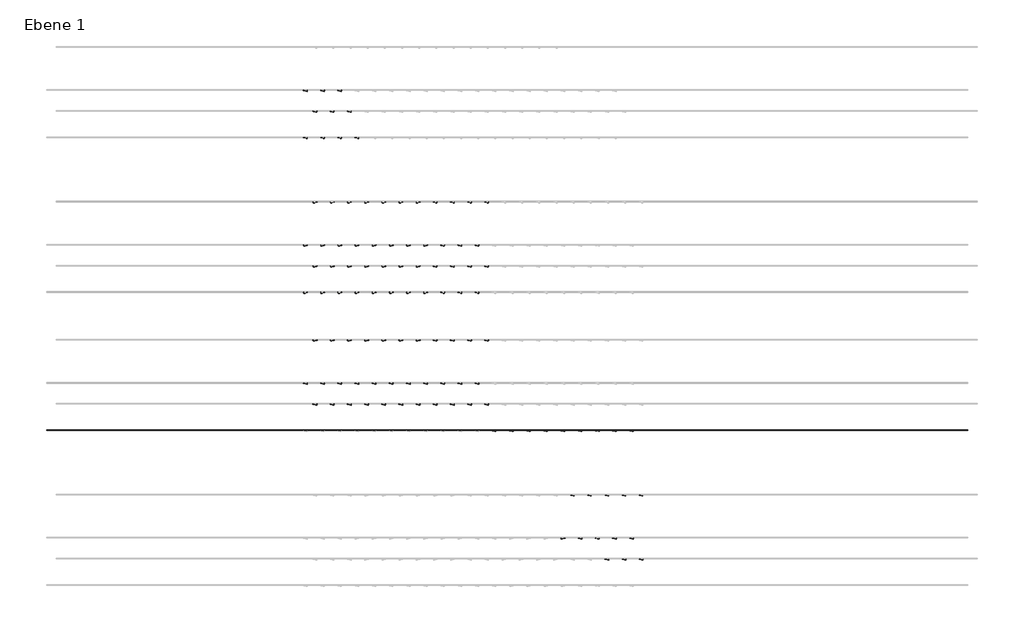
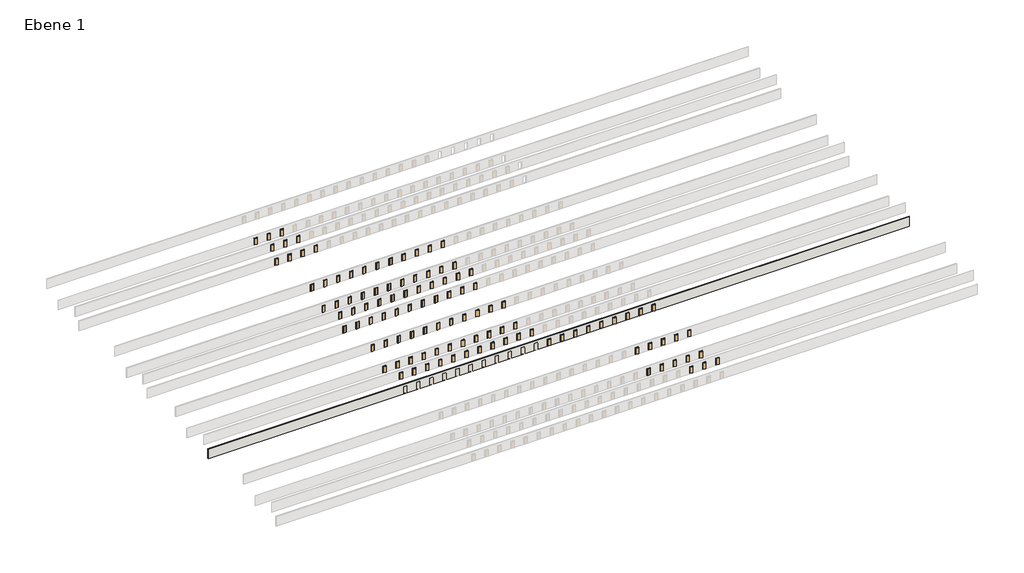
# One storey, part 2 of 7: 109 doors, 1 wall.
"""IFC4 building model written with IfcOpenShell, lengths in millimetres."""

import ifcopenshell
import ifcopenshell.guid

model = None  # the IFC model being written
_history = None  # IfcOwnerHistory: only IFC2X3 demands one
_inside = {}  # id of a spatial element -> (the spatial element, [elements in it])
_under = {}  # id of a project, library or spatial element -> (it, [spatial elements below it])
_declared = {}  # id of a project -> (the project, [libraries it declares])
_typed = {}  # id of a type object -> (the type object, [elements of that type])
_made_of = {}  # id of a material, layer set ... -> (it, [elements and type objects made of it])


def new_model(schema):
    """Start an empty IFC model of exactly this schema.

    Asked for "IFC4X3", IfcOpenShell would pick the latest addendum, in which some entities
    have other attributes; the version numbers below select the first issue.
    IFC2X3 requires an IfcOwnerHistory on every rooted entity: one is made here for all.
    """
    global model, _history
    if schema == "IFC4X3":
        model = ifcopenshell.file(schema_version=(4, 3, 0, 0))
    else:
        model = ifcopenshell.file(schema=schema)
    _inside.clear()
    _under.clear()
    _declared.clear()
    _typed.clear()
    _made_of.clear()
    _history = None
    if model.schema == "IFC2X3":
        org = make("IfcOrganization", Name="unknown")
        user = make(
            "IfcPersonAndOrganization",
            ThePerson=make("IfcPerson", FamilyName="unknown"),
            TheOrganization=org,
        )
        app = make(
            "IfcApplication",
            ApplicationDeveloper=org,
            Version="unknown",
            ApplicationFullName="unknown",
            ApplicationIdentifier="unknown",
        )
        _history = make(
            "IfcOwnerHistory",
            OwningUser=user,
            OwningApplication=app,
            ChangeAction="ADDED",
            CreationDate=0,
        )
    return model


def make(cls, **values):
    """One entity of the class cls with the attributes given. An attribute that is None is left unset."""
    return model.create_entity(
        cls, **{name: value for name, value in values.items() if value is not None}
    )


def rooted(cls, **values):
    """An entity with a GlobalId (a new one), such as an element, a storey or a relation."""
    return make(cls, GlobalId=ifcopenshell.guid.new(), OwnerHistory=_history, **values)


def si_unit(unit_type, name, prefix=None):
    """IfcSIUnit, for example si_unit("LENGTHUNIT", "METRE", prefix="MILLI")."""
    return make("IfcSIUnit", UnitType=unit_type, Prefix=prefix, Name=name)


def assignment(units):
    """IfcUnitAssignment: the units of a project."""
    return None if units is None else make("IfcUnitAssignment", Units=units)


def point(xyz):
    """IfcCartesianPoint."""
    return None if xyz is None else make("IfcCartesianPoint", Coordinates=xyz)


def direction(xyz):
    """IfcDirection."""
    return None if xyz is None else make("IfcDirection", DirectionRatios=xyz)


def frame(location, z_axis=None, x_axis=None):
    """IfcAxis2Placement3D, a coordinate frame: its origin and axes. An axis left out is left unset."""
    return make(
        "IfcAxis2Placement3D",
        Location=point(location),
        Axis=direction(z_axis),
        RefDirection=direction(x_axis),
    )


def origin():
    """The frame at (0, 0, 0) with its axes left unset."""
    return frame((0.0, 0.0, 0.0))


def origin_with_axes():
    """The frame at (0, 0, 0) with the z axis (0, 0, 1) and the x axis (1, 0, 0) written out."""
    return frame((0.0, 0.0, 0.0), z_axis=(0.0, 0.0, 1.0), x_axis=(1.0, 0.0, 0.0))


def place(relative_to, where):
    """IfcLocalPlacement: puts the frame where relative to a parent placement (None: the world)."""
    return make(
        "IfcLocalPlacement", PlacementRelTo=relative_to, RelativePlacement=where
    )


def context(
    kind, dimensions, precision=None, world=None, true_north=None, identifier=None
):
    """IfcGeometricRepresentationContext, for example the 3D "Model" context."""
    return make(
        "IfcGeometricRepresentationContext",
        ContextIdentifier=identifier,
        ContextType=kind,
        CoordinateSpaceDimension=dimensions,
        Precision=precision,
        WorldCoordinateSystem=world,
        TrueNorth=true_north,
    )


def project(units=None, contexts=None):
    """IfcProject with its units and contexts."""
    return rooted(
        "IfcProject",
        Name="project",
        RepresentationContexts=contexts,
        UnitsInContext=assignment(units),
    )


def spatial(cls, under=None, at=None, **own):
    """A site, building, storey or space (cls), placed at a placement, below another one or the project."""
    s = rooted(cls, ObjectPlacement=at, **own)
    if under is not None:
        _under.setdefault(under.id(), (under, []))[1].append(s)
    return s


def polyline(points):
    """IfcPolyline through the points."""
    return make("IfcPolyline", Points=[point(p) for p in points])


def outline(outer, holes=None, kind="AREA"):
    """IfcArbitraryClosedProfileDef: a profile drawn as a closed curve; with holes, ...WithVoids."""
    if holes is None:
        return make("IfcArbitraryClosedProfileDef", ProfileType=kind, OuterCurve=outer)
    return make(
        "IfcArbitraryProfileDefWithVoids",
        ProfileType=kind,
        OuterCurve=outer,
        InnerCurves=holes,
    )


def extrude(swept, where, along, depth):
    """IfcExtrudedAreaSolid: the profile swept, set in the frame where, extruded along a direction by depth."""
    return make(
        "IfcExtrudedAreaSolid",
        SweptArea=swept,
        Position=where,
        ExtrudedDirection=direction(along),
        Depth=depth,
    )


def faces_of(points, faces, orient=None, outer=None):
    """IfcFace entities. A face is a list of loops; a loop is a list of indices into points, from 0.

    orient and outer hold one flag for each loop. By default every Orientation is true, the
    first loop of a face is its IfcFaceOuterBound and the others are IfcFaceBound.
    """
    made = []
    for i, loops in enumerate(faces):
        bounds = []
        for j, loop in enumerate(loops):
            is_outer = j == 0 if outer is None else outer[i][j]
            bounds.append(
                make(
                    "IfcFaceOuterBound" if is_outer else "IfcFaceBound",
                    Bound=make("IfcPolyLoop", Polygon=[points[k] for k in loop]),
                    Orientation=True if orient is None else orient[i][j],
                )
            )
        made.append(make("IfcFace", Bounds=bounds))
    return made


def faceted_brep(points, faces, orient=None, outer=None, voids=None):
    """IfcFacetedBrep: a solid bounded by flat faces; with voids (closed shells), ...WithVoids."""
    shared = [point(p) for p in points]
    hull = make("IfcClosedShell", CfsFaces=faces_of(shared, faces, orient, outer))
    if voids is None:
        return make("IfcFacetedBrep", Outer=hull)
    return make(
        "IfcFacetedBrepWithVoids",
        Outer=hull,
        Voids=[
            make(cls, CfsFaces=faces_of(shared, fs, o, b)) for cls, fs, o, b in voids
        ],
    )


def shape(context_of_items, identifier, shape_type, items):
    """IfcShapeRepresentation: the items that make up one representation, for example the "Body"."""
    return make(
        "IfcShapeRepresentation",
        ContextOfItems=context_of_items,
        RepresentationIdentifier=identifier,
        RepresentationType=shape_type,
        Items=items,
    )


def source(mapping_origin, context_of_items, identifier, shape_type, items):
    """IfcRepresentationMap: a shape defined once, which mapped items show again and again."""
    return make(
        "IfcRepresentationMap",
        MappingOrigin=mapping_origin,
        MappedRepresentation=shape(context_of_items, identifier, shape_type, items),
    )


def transform(
    local_origin,
    x_axis=None,
    y_axis=None,
    z_axis=None,
    scale=None,
    scale2=None,
    scale3=None,
    uniform=True,
):
    """IfcCartesianTransformationOperator3D, or its non-uniform kind. x_axis, y_axis, z_axis: its Axis1, 2, 3."""
    if uniform:
        return make(
            "IfcCartesianTransformationOperator3D",
            Axis1=direction(x_axis),
            Axis2=direction(y_axis),
            LocalOrigin=point(local_origin),
            Scale=scale,
            Axis3=direction(z_axis),
        )
    return make(
        "IfcCartesianTransformationOperator3DnonUniform",
        Axis1=direction(x_axis),
        Axis2=direction(y_axis),
        LocalOrigin=point(local_origin),
        Scale=scale,
        Axis3=direction(z_axis),
        Scale2=scale2,
        Scale3=scale3,
    )


def mapped(mapping_source, mapping_target):
    """IfcMappedItem: shows the shape of a source again, moved by a transform."""
    return make(
        "IfcMappedItem", MappingSource=mapping_source, MappingTarget=mapping_target
    )


def made_of(thing, what):
    """Note that an element or type object is made of a material, layer set ...; save() writes the relation."""
    if what is not None:
        _made_of.setdefault(what.id(), (what, []))[1].append(thing)
    return thing


def element(
    cls,
    number,
    at=None,
    inside=None,
    cuts=None,
    type_object=None,
    material=None,
    context=None,
    identifier="Body",
    shape_type=None,
    held_by="IfcProductDefinitionShape",
    body=None,
    shapes=None,
    **own,
):
    """One element of the class cls, such as IfcWall. Its Tag is "e" and its number.

    at: its placement. inside: the storey or other place that contains it. cuts: it is an
    opening in that element (IfcRelVoidsElement). A single representation is given by context,
    identifier, shape_type and body (its items); several are given by shapes. held_by: the class
    of the entity that holds the representations. save() writes the other relations.
    """
    e = rooted(cls, Tag="e%d" % number, ObjectPlacement=at, **own)
    if body is not None:
        shapes = [shape(context, identifier, shape_type, body)]
    if shapes is not None:
        e.Representation = make(held_by, Representations=shapes)
    if inside is not None:
        _inside.setdefault(inside.id(), (inside, []))[1].append(e)
    if cuts is not None:
        rooted(
            "IfcRelVoidsElement", RelatingBuildingElement=cuts, RelatedOpeningElement=e
        )
    if type_object is not None:
        _typed.setdefault(type_object.id(), (type_object, []))[1].append(e)
    return made_of(e, material)


def aggregate(whole, parts):
    """IfcRelAggregates: a whole, such as a stair, and the parts it consists of."""
    return rooted("IfcRelAggregates", RelatingObject=whole, RelatedObjects=parts)


def save(model, path):
    """Write the relations noted so far, then the file.

    IfcRelAggregates (storeys below a building ...), IfcRelContainedInSpatialStructure (elements
    in a storey), IfcRelDefinesByType, IfcRelAssociatesMaterial and IfcRelDeclares: one each for
    every whole, place, type object, material and project.
    """
    for whole, parts in _under.values():
        aggregate(whole, parts)
    for where, things in _inside.values():
        rooted(
            "IfcRelContainedInSpatialStructure",
            RelatedElements=things,
            RelatingStructure=where,
        )
    for kind, things in _typed.values():
        rooted("IfcRelDefinesByType", RelatedObjects=things, RelatingType=kind)
    for what, things in _made_of.values():
        rooted("IfcRelAssociatesMaterial", RelatedObjects=things, RelatingMaterial=what)
    for by, libraries in _declared.values():
        rooted("IfcRelDeclares", RelatingContext=by, RelatedDefinitions=libraries)
    model.write(path)


def ez_0_885_x_2_135_c3bccecb(model_context):
    return source(origin(), model_context, "Body", "SolidModel", [
        extrude(outline(polyline([(431.9693295, 138.5256744), (422.2924536, 99.7138453), (-412.161871, 307.7666755), (-402.4849951, 346.5785046), (431.9693295, 138.5256744)])), origin_with_axes(), (0.0, 0.0, 1.0), 2122.0),
        faceted_brep([(-492.5, 112.5, 0.0), (-417.5, 112.5, 0.0), (-417.5, 37.5, 0.0), (-442.5, 37.5, 0.0), (-442.5, 87.5, 0.0), (-492.5, 87.5, 0.0), (-492.5, 112.5, 2185.0), (492.5, 112.5, 2185.0), (492.5, 112.5, 0.0), (417.5, 112.5, 0.0), (417.5, 112.5, 2110.0), (-417.5, 112.5, 2110.0), (-417.5, 37.5, 2110.0), (417.5, 37.5, 2110.0), (417.5, 37.5, 0.0), (442.5, 37.5, 0.0), (442.5, 37.5, 2135.0), (-442.5, 37.5, 2135.0), (-442.5, 87.5, 2135.0), (442.5, 87.5, 2135.0), (442.5, 87.5, 0.0), (492.5, 87.5, 0.0), (492.5, 87.5, 2185.0), (-492.5, 87.5, 2185.0)], [[[0, 1, 2, 3, 4, 5]], [[1, 0, 6, 7, 8, 9, 10, 11]], [[2, 1, 11, 12]], [[3, 2, 12, 13, 14, 15, 16, 17]], [[4, 3, 17, 18]], [[5, 4, 18, 19, 20, 21, 22, 23]], [[0, 5, 23, 6]], [[8, 21, 20, 15, 14, 9]], [[7, 22, 21, 8]], [[19, 16, 15, 20]], [[13, 10, 9, 14]], [[12, 11, 10, 13]], [[18, 17, 16, 19]], [[6, 23, 22, 7]]]),
    ])


def ez_0_885_x_2_135_573fc02f(model_context):
    return source(origin(), model_context, "Body", "SolidModel", [
        extrude(outline(polyline([(431.9693295, -138.5256744), (-402.4849951, -346.5785046), (-412.161871, -307.7666755), (422.2924536, -99.7138453), (431.9693295, -138.5256744)])), origin_with_axes(), (0.0, 0.0, 1.0), 2122.0),
        faceted_brep([(-492.5, -112.5, 0.0), (-492.5, -87.5, 0.0), (-442.5, -87.5, 0.0), (-442.5, -37.5, 0.0), (-417.5, -37.5, 0.0), (-417.5, -112.5, 0.0), (-417.5, -112.5, 2110.0), (417.5, -112.5, 2110.0), (417.5, -112.5, 0.0), (492.5, -112.5, 0.0), (492.5, -112.5, 2185.0), (-492.5, -112.5, 2185.0), (-417.5, -37.5, 2110.0), (-442.5, -37.5, 2135.0), (442.5, -37.5, 2135.0), (442.5, -37.5, 0.0), (417.5, -37.5, 0.0), (417.5, -37.5, 2110.0), (-442.5, -87.5, 2135.0), (-492.5, -87.5, 2185.0), (492.5, -87.5, 2185.0), (492.5, -87.5, 0.0), (442.5, -87.5, 0.0), (442.5, -87.5, 2135.0)], [[[0, 1, 2, 3, 4, 5]], [[5, 6, 7, 8, 9, 10, 11, 0]], [[4, 12, 6, 5]], [[3, 13, 14, 15, 16, 17, 12, 4]], [[2, 18, 13, 3]], [[1, 19, 20, 21, 22, 23, 18, 2]], [[0, 11, 19, 1]], [[9, 8, 16, 15, 22, 21]], [[10, 9, 21, 20]], [[23, 22, 15, 14]], [[17, 16, 8, 7]], [[12, 17, 7, 6]], [[18, 23, 14, 13]], [[11, 10, 20, 19]]]),
    ])


model = new_model("IFC4")

# Units and contexts
model_context = context("Model", 3, world=origin())
ifc_project = project(units=[si_unit("LENGTHUNIT", "METRE", prefix="MILLI")], contexts=[model_context])

# Site, building, storey
site = spatial("IfcSite", under=ifc_project)
building = spatial("IfcBuilding", under=site)
storey = spatial("IfcBuildingStorey", under=building, Name="Ebene 1", Elevation=0.0)

# Doors
placement = place(None, origin())
ez_0_885_x_2_135_shape = ez_0_885_x_2_135_c3bccecb(model_context)
element("IfcDoor", 1, ObjectType="EZ_0,885 x 2,135", at=placement, inside=storey, context=model_context, shape_type="MappedRepresentation", body=[
    mapped(ez_0_885_x_2_135_shape, transform((560.8133865, -973.5618012, 0.0), x_axis=(-1.0, 0.0, 0.0), y_axis=(0.0, -1.0, 0.0), z_axis=(0.0, 0.0, 1.0))),
])
element("IfcDoor", 2, ObjectType="EZ_0,885 x 2,135", at=placement, inside=storey, context=model_context, shape_type="MappedRepresentation", body=[
    mapped(ez_0_885_x_2_135_shape, transform((4660.8133865, -973.5618012, 0.0), x_axis=(-1.0, 0.0, 0.0), y_axis=(0.0, -1.0, 0.0), z_axis=(0.0, 0.0, 1.0))),
])
element("IfcDoor", 3, ObjectType="EZ_0,885 x 2,135", at=placement, inside=storey, context=model_context, shape_type="MappedRepresentation", body=[
    mapped(ez_0_885_x_2_135_shape, transform((8760.8133865, -973.5618012, 0.0), x_axis=(-1.0, 0.0, 0.0), y_axis=(0.0, -1.0, 0.0), z_axis=(0.0, 0.0, 1.0))),
])
element("IfcDoor", 4, ObjectType="EZ_0,885 x 2,135", at=placement, inside=storey, context=model_context, shape_type="MappedRepresentation", body=[
    mapped(ez_0_885_x_2_135_shape, transform((12860.8133865, -973.5618012, 0.0), x_axis=(-1.0, 0.0, 0.0), y_axis=(0.0, -1.0, 0.0), z_axis=(0.0, 0.0, 1.0))),
])
element("IfcDoor", 5, ObjectType="EZ_0,885 x 2,135", at=placement, inside=storey, context=model_context, shape_type="MappedRepresentation", body=[
    mapped(ez_0_885_x_2_135_shape, transform((16960.8133865, -973.5618012, 0.0), x_axis=(-1.0, 0.0, 0.0), y_axis=(0.0, -1.0, 0.0), z_axis=(0.0, 0.0, 1.0))),
])
element("IfcDoor", 6, ObjectType="EZ_0,885 x 2,135", at=placement, inside=storey, context=model_context, shape_type="MappedRepresentation", body=[
    mapped(ez_0_885_x_2_135_shape, transform((21060.8133865, -973.5618012, 0.0), x_axis=(-1.0, 0.0, 0.0), y_axis=(0.0, -1.0, 0.0), z_axis=(0.0, 0.0, 1.0))),
])
element("IfcDoor", 7, ObjectType="EZ_0,885 x 2,135", at=placement, inside=storey, context=model_context, shape_type="MappedRepresentation", body=[
    mapped(ez_0_885_x_2_135_shape, transform((25160.8133865, -973.5618012, 0.0), x_axis=(-1.0, 0.0, 0.0), y_axis=(0.0, -1.0, 0.0), z_axis=(0.0, 0.0, 1.0))),
])
element("IfcDoor", 8, ObjectType="EZ_0,885 x 2,135", at=placement, inside=storey, context=model_context, shape_type="MappedRepresentation", body=[
    mapped(ez_0_885_x_2_135_shape, transform((29260.8133865, -973.5618012, 0.0), x_axis=(-1.0, 0.0, 0.0), y_axis=(0.0, -1.0, 0.0), z_axis=(0.0, 0.0, 1.0))),
])
element("IfcDoor", 9, ObjectType="EZ_0,885 x 2,135", at=placement, inside=storey, context=model_context, shape_type="MappedRepresentation", body=[
    mapped(ez_0_885_x_2_135_shape, transform((33360.8133865, -973.5618012, 0.0), x_axis=(-1.0, 0.0, 0.0), y_axis=(0.0, -1.0, 0.0), z_axis=(0.0, 0.0, 1.0))),
])
element("IfcDoor", 10, ObjectType="EZ_0,885 x 2,135", at=placement, inside=storey, context=model_context, shape_type="MappedRepresentation", body=[
    mapped(ez_0_885_x_2_135_shape, transform((-42234.3866135, 5331.2381988, 0.0), x_axis=(-1.0, 0.0, 0.0), y_axis=(0.0, -1.0, 0.0), z_axis=(0.0, 0.0, 1.0))),
])
element("IfcDoor", 11, ObjectType="EZ_0,885 x 2,135", at=placement, inside=storey, context=model_context, shape_type="MappedRepresentation", body=[
    mapped(ez_0_885_x_2_135_shape, transform((-38134.3866135, 5331.2381988, 0.0), x_axis=(-1.0, 0.0, 0.0), y_axis=(0.0, -1.0, 0.0), z_axis=(0.0, 0.0, 1.0))),
])
element("IfcDoor", 12, ObjectType="EZ_0,885 x 2,135", at=placement, inside=storey, context=model_context, shape_type="MappedRepresentation", body=[
    mapped(ez_0_885_x_2_135_shape, transform((-34034.3866135, 5331.2381988, 0.0), x_axis=(-1.0, 0.0, 0.0), y_axis=(0.0, -1.0, 0.0), z_axis=(0.0, 0.0, 1.0))),
])
element("IfcDoor", 13, ObjectType="EZ_0,885 x 2,135", at=placement, inside=storey, context=model_context, shape_type="MappedRepresentation", body=[
    mapped(ez_0_885_x_2_135_shape, transform((-29934.3866135, 5331.2381988, 0.0), x_axis=(-1.0, 0.0, 0.0), y_axis=(0.0, -1.0, 0.0), z_axis=(0.0, 0.0, 1.0))),
])
element("IfcDoor", 14, ObjectType="EZ_0,885 x 2,135", at=placement, inside=storey, context=model_context, shape_type="MappedRepresentation", body=[
    mapped(ez_0_885_x_2_135_shape, transform((-25834.3866135, 5331.2381988, 0.0), x_axis=(-1.0, 0.0, 0.0), y_axis=(0.0, -1.0, 0.0), z_axis=(0.0, 0.0, 1.0))),
])
element("IfcDoor", 15, ObjectType="EZ_0,885 x 2,135", at=placement, inside=storey, context=model_context, shape_type="MappedRepresentation", body=[
    mapped(ez_0_885_x_2_135_shape, transform((-21734.3866135, 5331.2381988, 0.0), x_axis=(-1.0, 0.0, 0.0), y_axis=(0.0, -1.0, 0.0), z_axis=(0.0, 0.0, 1.0))),
])
element("IfcDoor", 16, ObjectType="EZ_0,885 x 2,135", at=placement, inside=storey, context=model_context, shape_type="MappedRepresentation", body=[
    mapped(ez_0_885_x_2_135_shape, transform((-17634.3866135, 5331.2381988, 0.0), x_axis=(-1.0, 0.0, 0.0), y_axis=(0.0, -1.0, 0.0), z_axis=(0.0, 0.0, 1.0))),
])
element("IfcDoor", 17, ObjectType="EZ_0,885 x 2,135", at=placement, inside=storey, context=model_context, shape_type="MappedRepresentation", body=[
    mapped(ez_0_885_x_2_135_shape, transform((-13534.3866135, 5331.2381988, 0.0), x_axis=(-1.0, 0.0, 0.0), y_axis=(0.0, -1.0, 0.0), z_axis=(0.0, 0.0, 1.0))),
])
element("IfcDoor", 18, ObjectType="EZ_0,885 x 2,135", at=placement, inside=storey, context=model_context, shape_type="MappedRepresentation", body=[
    mapped(ez_0_885_x_2_135_shape, transform((-9434.3866135, 5331.2381988, 0.0), x_axis=(-1.0, 0.0, 0.0), y_axis=(0.0, -1.0, 0.0), z_axis=(0.0, 0.0, 1.0))),
])
element("IfcDoor", 19, ObjectType="EZ_0,885 x 2,135", at=placement, inside=storey, context=model_context, shape_type="MappedRepresentation", body=[
    mapped(ez_0_885_x_2_135_shape, transform((-5334.3866135, 5331.2381988, 0.0), x_axis=(-1.0, 0.0, 0.0), y_axis=(0.0, -1.0, 0.0), z_axis=(0.0, 0.0, 1.0))),
])
element("IfcDoor", 20, ObjectType="EZ_0,885 x 2,135", at=placement, inside=storey, context=model_context, shape_type="MappedRepresentation", body=[
    mapped(ez_0_885_x_2_135_shape, transform((-1234.3866135, 5331.2381988, 0.0), x_axis=(-1.0, 0.0, 0.0), y_axis=(0.0, -1.0, 0.0), z_axis=(0.0, 0.0, 1.0))),
])
element("IfcDoor", 21, ObjectType="EZ_0,885 x 2,135", at=placement, inside=storey, context=model_context, shape_type="MappedRepresentation", body=[
    mapped(ez_0_885_x_2_135_shape, transform((-44539.1866135, 10331.2381988, 0.0), x_axis=(-1.0, 0.0, 0.0), y_axis=(0.0, -1.0, 0.0), z_axis=(0.0, 0.0, 1.0))),
])
element("IfcDoor", 22, ObjectType="EZ_0,885 x 2,135", at=placement, inside=storey, context=model_context, shape_type="MappedRepresentation", body=[
    mapped(ez_0_885_x_2_135_shape, transform((-40439.1866135, 10331.2381988, 0.0), x_axis=(-1.0, 0.0, 0.0), y_axis=(0.0, -1.0, 0.0), z_axis=(0.0, 0.0, 1.0))),
])
element("IfcDoor", 23, ObjectType="EZ_0,885 x 2,135", at=placement, inside=storey, context=model_context, shape_type="MappedRepresentation", body=[
    mapped(ez_0_885_x_2_135_shape, transform((-36339.1866135, 10331.2381988, 0.0), x_axis=(-1.0, 0.0, 0.0), y_axis=(0.0, -1.0, 0.0), z_axis=(0.0, 0.0, 1.0))),
])
element("IfcDoor", 24, ObjectType="EZ_0,885 x 2,135", at=placement, inside=storey, context=model_context, shape_type="MappedRepresentation", body=[
    mapped(ez_0_885_x_2_135_shape, transform((-32239.1866135, 10331.2381988, 0.0), x_axis=(-1.0, 0.0, 0.0), y_axis=(0.0, -1.0, 0.0), z_axis=(0.0, 0.0, 1.0))),
])
element("IfcDoor", 25, ObjectType="EZ_0,885 x 2,135", at=placement, inside=storey, context=model_context, shape_type="MappedRepresentation", body=[
    mapped(ez_0_885_x_2_135_shape, transform((-28139.1866135, 10331.2381988, 0.0), x_axis=(-1.0, 0.0, 0.0), y_axis=(0.0, -1.0, 0.0), z_axis=(0.0, 0.0, 1.0))),
])
element("IfcDoor", 26, ObjectType="EZ_0,885 x 2,135", at=placement, inside=storey, context=model_context, shape_type="MappedRepresentation", body=[
    mapped(ez_0_885_x_2_135_shape, transform((-24039.1866135, 10331.2381988, 0.0), x_axis=(-1.0, 0.0, 0.0), y_axis=(0.0, -1.0, 0.0), z_axis=(0.0, 0.0, 1.0))),
])
element("IfcDoor", 27, ObjectType="EZ_0,885 x 2,135", at=placement, inside=storey, context=model_context, shape_type="MappedRepresentation", body=[
    mapped(ez_0_885_x_2_135_shape, transform((-19939.1866135, 10331.2381988, 0.0), x_axis=(-1.0, 0.0, 0.0), y_axis=(0.0, -1.0, 0.0), z_axis=(0.0, 0.0, 1.0))),
])
element("IfcDoor", 28, ObjectType="EZ_0,885 x 2,135", at=placement, inside=storey, context=model_context, shape_type="MappedRepresentation", body=[
    mapped(ez_0_885_x_2_135_shape, transform((-15839.1866135, 10331.2381988, 0.0), x_axis=(-1.0, 0.0, 0.0), y_axis=(0.0, -1.0, 0.0), z_axis=(0.0, 0.0, 1.0))),
])
element("IfcDoor", 29, ObjectType="EZ_0,885 x 2,135", at=placement, inside=storey, context=model_context, shape_type="MappedRepresentation", body=[
    mapped(ez_0_885_x_2_135_shape, transform((-11739.1866135, 10331.2381988, 0.0), x_axis=(-1.0, 0.0, 0.0), y_axis=(0.0, -1.0, 0.0), z_axis=(0.0, 0.0, 1.0))),
])
element("IfcDoor", 30, ObjectType="EZ_0,885 x 2,135", at=placement, inside=storey, context=model_context, shape_type="MappedRepresentation", body=[
    mapped(ez_0_885_x_2_135_shape, transform((-7639.1866135, 10331.2381988, 0.0), x_axis=(-1.0, 0.0, 0.0), y_axis=(0.0, -1.0, 0.0), z_axis=(0.0, 0.0, 1.0))),
])
element("IfcDoor", 31, ObjectType="EZ_0,885 x 2,135", at=placement, inside=storey, context=model_context, shape_type="MappedRepresentation", body=[
    mapped(ez_0_885_x_2_135_shape, transform((-3539.1866135, 10331.2381988, 0.0), x_axis=(-1.0, 0.0, 0.0), y_axis=(0.0, -1.0, 0.0), z_axis=(0.0, 0.0, 1.0))),
])
element("IfcDoor", 32, ObjectType="EZ_0,885 x 2,135", at=placement, inside=storey, context=model_context, shape_type="MappedRepresentation", body=[
    mapped(ez_0_885_x_2_135_shape, transform((-13534.3866135, 20636.0381988, 0.0), x_axis=(-1.0, 0.0, 0.0), y_axis=(0.0, -1.0, 0.0), z_axis=(0.0, 0.0, 1.0))),
])
element("IfcDoor", 33, ObjectType="EZ_0,885 x 2,135", at=placement, inside=storey, context=model_context, shape_type="MappedRepresentation", body=[
    mapped(ez_0_885_x_2_135_shape, transform((-9434.3866135, 20636.0381988, 0.0), x_axis=(-1.0, 0.0, 0.0), y_axis=(0.0, -1.0, 0.0), z_axis=(0.0, 0.0, 1.0))),
])
element("IfcDoor", 34, ObjectType="EZ_0,885 x 2,135", at=placement, inside=storey, context=model_context, shape_type="MappedRepresentation", body=[
    mapped(ez_0_885_x_2_135_shape, transform((-5334.3866135, 20636.0381988, 0.0), x_axis=(-1.0, 0.0, 0.0), y_axis=(0.0, -1.0, 0.0), z_axis=(0.0, 0.0, 1.0))),
])
element("IfcDoor", 35, ObjectType="EZ_0,885 x 2,135", at=placement, inside=storey, context=model_context, shape_type="MappedRepresentation", body=[
    mapped(ez_0_885_x_2_135_shape, transform((-1234.3866135, 20636.0381988, 0.0), x_axis=(-1.0, 0.0, 0.0), y_axis=(0.0, -1.0, 0.0), z_axis=(0.0, 0.0, 1.0))),
])
element("IfcDoor", 36, ObjectType="EZ_0,885 x 2,135", at=placement, inside=storey, context=model_context, shape_type="MappedRepresentation", body=[
    mapped(ez_0_885_x_2_135_shape, transform((27465.6133865, -31668.7618012, 0.0), x_axis=(-1.0, 0.0, 0.0), y_axis=(0.0, -1.0, 0.0), z_axis=(0.0, 0.0, 1.0))),
])
element("IfcDoor", 37, ObjectType="EZ_0,885 x 2,135", at=placement, inside=storey, context=model_context, shape_type="MappedRepresentation", body=[
    mapped(ez_0_885_x_2_135_shape, transform((31565.6133865, -31668.7618012, 0.0), x_axis=(-1.0, 0.0, 0.0), y_axis=(0.0, -1.0, 0.0), z_axis=(0.0, 0.0, 1.0))),
])
element("IfcDoor", 38, ObjectType="EZ_0,885 x 2,135", at=placement, inside=storey, context=model_context, shape_type="MappedRepresentation", body=[
    mapped(ez_0_885_x_2_135_shape, transform((35665.6133865, -31668.7618012, 0.0), x_axis=(-1.0, 0.0, 0.0), y_axis=(0.0, -1.0, 0.0), z_axis=(0.0, 0.0, 1.0))),
])
element("IfcDoor", 39, ObjectType="EZ_0,885 x 2,135", at=placement, inside=storey, context=model_context, shape_type="MappedRepresentation", body=[
    mapped(ez_0_885_x_2_135_shape, transform((21060.8133865, -26668.7618012, 0.0), x_axis=(-1.0, 0.0, 0.0), y_axis=(0.0, -1.0, 0.0), z_axis=(0.0, 0.0, 1.0))),
])
element("IfcDoor", 40, ObjectType="EZ_0,885 x 2,135", at=placement, inside=storey, context=model_context, shape_type="MappedRepresentation", body=[
    mapped(ez_0_885_x_2_135_shape, transform((25160.8133865, -26668.7618012, 0.0), x_axis=(-1.0, 0.0, 0.0), y_axis=(0.0, -1.0, 0.0), z_axis=(0.0, 0.0, 1.0))),
])
element("IfcDoor", 41, ObjectType="EZ_0,885 x 2,135", at=placement, inside=storey, context=model_context, shape_type="MappedRepresentation", body=[
    mapped(ez_0_885_x_2_135_shape, transform((29260.8133865, -26668.7618012, 0.0), x_axis=(-1.0, 0.0, 0.0), y_axis=(0.0, -1.0, 0.0), z_axis=(0.0, 0.0, 1.0))),
])
element("IfcDoor", 42, ObjectType="EZ_0,885 x 2,135", at=placement, inside=storey, context=model_context, shape_type="MappedRepresentation", body=[
    mapped(ez_0_885_x_2_135_shape, transform((33360.8133865, -26668.7618012, 0.0), x_axis=(-1.0, 0.0, 0.0), y_axis=(0.0, -1.0, 0.0), z_axis=(0.0, 0.0, 1.0))),
])
element("IfcDoor", 43, ObjectType="EZ_0,885 x 2,135", at=placement, inside=storey, context=model_context, shape_type="MappedRepresentation", body=[
    mapped(ez_0_885_x_2_135_shape, transform((19265.6133865, -16363.9618012, 0.0), x_axis=(-1.0, 0.0, 0.0), y_axis=(0.0, -1.0, 0.0), z_axis=(0.0, 0.0, 1.0))),
])
element("IfcDoor", 44, ObjectType="EZ_0,885 x 2,135", at=placement, inside=storey, context=model_context, shape_type="MappedRepresentation", body=[
    mapped(ez_0_885_x_2_135_shape, transform((23365.6133865, -16363.9618012, 0.0), x_axis=(-1.0, 0.0, 0.0), y_axis=(0.0, -1.0, 0.0), z_axis=(0.0, 0.0, 1.0))),
])
element("IfcDoor", 45, ObjectType="EZ_0,885 x 2,135", at=placement, inside=storey, context=model_context, shape_type="MappedRepresentation", body=[
    mapped(ez_0_885_x_2_135_shape, transform((27465.6133865, -16363.9618012, 0.0), x_axis=(-1.0, 0.0, 0.0), y_axis=(0.0, -1.0, 0.0), z_axis=(0.0, 0.0, 1.0))),
])
element("IfcDoor", 46, ObjectType="EZ_0,885 x 2,135", at=placement, inside=storey, context=model_context, shape_type="MappedRepresentation", body=[
    mapped(ez_0_885_x_2_135_shape, transform((31565.6133865, -16363.9618012, 0.0), x_axis=(-1.0, 0.0, 0.0), y_axis=(0.0, -1.0, 0.0), z_axis=(0.0, 0.0, 1.0))),
])
element("IfcDoor", 47, ObjectType="EZ_0,885 x 2,135", at=placement, inside=storey, context=model_context, shape_type="MappedRepresentation", body=[
    mapped(ez_0_885_x_2_135_shape, transform((35665.6133865, -16363.9618012, 0.0), x_axis=(-1.0, 0.0, 0.0), y_axis=(0.0, -1.0, 0.0), z_axis=(0.0, 0.0, 1.0))),
])
element("IfcDoor", 48, ObjectType="EZ_0,885 x 2,135", at=placement, inside=storey, context=model_context, shape_type="MappedRepresentation", body=[
    mapped(ez_0_885_x_2_135_shape, transform((-44539.1866135, 69026.4381988, 0.0), x_axis=(-1.0, 0.0, 0.0), y_axis=(0.0, -1.0, 0.0), z_axis=(0.0, 0.0, 1.0))),
])
element("IfcDoor", 49, ObjectType="EZ_0,885 x 2,135", at=placement, inside=storey, context=model_context, shape_type="MappedRepresentation", body=[
    mapped(ez_0_885_x_2_135_shape, transform((-40439.1866135, 69026.4381988, 0.0), x_axis=(-1.0, 0.0, 0.0), y_axis=(0.0, -1.0, 0.0), z_axis=(0.0, 0.0, 1.0))),
])
element("IfcDoor", 50, ObjectType="EZ_0,885 x 2,135", at=placement, inside=storey, context=model_context, shape_type="MappedRepresentation", body=[
    mapped(ez_0_885_x_2_135_shape, transform((-36339.1866135, 69026.4381988, 0.0), x_axis=(-1.0, 0.0, 0.0), y_axis=(0.0, -1.0, 0.0), z_axis=(0.0, 0.0, 1.0))),
])
element("IfcDoor", 51, ObjectType="EZ_0,885 x 2,135", at=placement, inside=storey, context=model_context, shape_type="MappedRepresentation", body=[
    mapped(ez_0_885_x_2_135_shape, transform((-32239.1866135, 69026.4381988, 0.0), x_axis=(-1.0, 0.0, 0.0), y_axis=(0.0, -1.0, 0.0), z_axis=(0.0, 0.0, 1.0))),
])
element("IfcDoor", 52, ObjectType="EZ_0,885 x 2,135", at=placement, inside=storey, context=model_context, shape_type="MappedRepresentation", body=[
    mapped(ez_0_885_x_2_135_shape, transform((-42234.3866135, 75331.2381988, 0.0), x_axis=(-1.0, 0.0, 0.0), y_axis=(0.0, -1.0, 0.0), z_axis=(0.0, 0.0, 1.0))),
])
element("IfcDoor", 53, ObjectType="EZ_0,885 x 2,135", at=placement, inside=storey, context=model_context, shape_type="MappedRepresentation", body=[
    mapped(ez_0_885_x_2_135_shape, transform((-38134.3866135, 75331.2381988, 0.0), x_axis=(-1.0, 0.0, 0.0), y_axis=(0.0, -1.0, 0.0), z_axis=(0.0, 0.0, 1.0))),
])
element("IfcDoor", 54, ObjectType="EZ_0,885 x 2,135", at=placement, inside=storey, context=model_context, shape_type="MappedRepresentation", body=[
    mapped(ez_0_885_x_2_135_shape, transform((-34034.3866135, 75331.2381988, 0.0), x_axis=(-1.0, 0.0, 0.0), y_axis=(0.0, -1.0, 0.0), z_axis=(0.0, 0.0, 1.0))),
])
element("IfcDoor", 55, ObjectType="EZ_0,885 x 2,135", at=placement, inside=storey, context=model_context, shape_type="MappedRepresentation", body=[
    mapped(ez_0_885_x_2_135_shape, transform((-44539.1866135, 80331.2381988, 0.0), x_axis=(-1.0, 0.0, 0.0), y_axis=(0.0, -1.0, 0.0), z_axis=(0.0, 0.0, 1.0))),
])
element("IfcDoor", 56, ObjectType="EZ_0,885 x 2,135", at=placement, inside=storey, context=model_context, shape_type="MappedRepresentation", body=[
    mapped(ez_0_885_x_2_135_shape, transform((-40439.1866135, 80331.2381988, 0.0), x_axis=(-1.0, 0.0, 0.0), y_axis=(0.0, -1.0, 0.0), z_axis=(0.0, 0.0, 1.0))),
])
element("IfcDoor", 57, ObjectType="EZ_0,885 x 2,135", at=placement, inside=storey, context=model_context, shape_type="MappedRepresentation", body=[
    mapped(ez_0_885_x_2_135_shape, transform((-36339.1866135, 80331.2381988, 0.0), x_axis=(-1.0, 0.0, 0.0), y_axis=(0.0, -1.0, 0.0), z_axis=(0.0, 0.0, 1.0))),
])
element("IfcDoor", 58, ObjectType="EZ_0,885 x 2,135", at=placement, inside=storey, context=model_context, shape_type="MappedRepresentation", body=[
    mapped(ez_0_885_x_2_135_shape, transform((-11739.1866135, 32026.4381988, 0.0), x_axis=(-1.0, 0.0, 0.0), y_axis=(0.0, -1.0, 0.0), z_axis=(0.0, 0.0, 1.0))),
])
element("IfcDoor", 59, ObjectType="EZ_0,885 x 2,135", at=placement, inside=storey, context=model_context, shape_type="MappedRepresentation", body=[
    mapped(ez_0_885_x_2_135_shape, transform((-7639.1866135, 32026.4381988, 0.0), x_axis=(-1.0, 0.0, 0.0), y_axis=(0.0, -1.0, 0.0), z_axis=(0.0, 0.0, 1.0))),
])
element("IfcDoor", 60, ObjectType="EZ_0,885 x 2,135", at=placement, inside=storey, context=model_context, shape_type="MappedRepresentation", body=[
    mapped(ez_0_885_x_2_135_shape, transform((-3539.1866135, 32026.4381988, 0.0), x_axis=(-1.0, 0.0, 0.0), y_axis=(0.0, -1.0, 0.0), z_axis=(0.0, 0.0, 1.0))),
])
element("IfcDoor", 61, ObjectType="EZ_0,885 x 2,135", at=placement, inside=storey, context=model_context, shape_type="MappedRepresentation", body=[
    mapped(ez_0_885_x_2_135_shape, transform((-13534.3866135, 38331.2381988, 0.0), x_axis=(-1.0, 0.0, 0.0), y_axis=(0.0, -1.0, 0.0), z_axis=(0.0, 0.0, 1.0))),
])
element("IfcDoor", 62, ObjectType="EZ_0,885 x 2,135", at=placement, inside=storey, context=model_context, shape_type="MappedRepresentation", body=[
    mapped(ez_0_885_x_2_135_shape, transform((-9434.3866135, 38331.2381988, 0.0), x_axis=(-1.0, 0.0, 0.0), y_axis=(0.0, -1.0, 0.0), z_axis=(0.0, 0.0, 1.0))),
])
element("IfcDoor", 63, ObjectType="EZ_0,885 x 2,135", at=placement, inside=storey, context=model_context, shape_type="MappedRepresentation", body=[
    mapped(ez_0_885_x_2_135_shape, transform((-5334.3866135, 38331.2381988, 0.0), x_axis=(-1.0, 0.0, 0.0), y_axis=(0.0, -1.0, 0.0), z_axis=(0.0, 0.0, 1.0))),
])
element("IfcDoor", 64, ObjectType="EZ_0,885 x 2,135", at=placement, inside=storey, context=model_context, shape_type="MappedRepresentation", body=[
    mapped(ez_0_885_x_2_135_shape, transform((-1234.3866135, 38331.2381988, 0.0), x_axis=(-1.0, 0.0, 0.0), y_axis=(0.0, -1.0, 0.0), z_axis=(0.0, 0.0, 1.0))),
])
element("IfcDoor", 65, ObjectType="EZ_0,885 x 2,135", at=placement, inside=storey, context=model_context, shape_type="MappedRepresentation", body=[
    mapped(ez_0_885_x_2_135_shape, transform((-11739.1866135, 43331.2381988, 0.0), x_axis=(-1.0, 0.0, 0.0), y_axis=(0.0, -1.0, 0.0), z_axis=(0.0, 0.0, 1.0))),
])
element("IfcDoor", 66, ObjectType="EZ_0,885 x 2,135", at=placement, inside=storey, context=model_context, shape_type="MappedRepresentation", body=[
    mapped(ez_0_885_x_2_135_shape, transform((-7639.1866135, 43331.2381988, 0.0), x_axis=(-1.0, 0.0, 0.0), y_axis=(0.0, -1.0, 0.0), z_axis=(0.0, 0.0, 1.0))),
])
element("IfcDoor", 67, ObjectType="EZ_0,885 x 2,135", at=placement, inside=storey, context=model_context, shape_type="MappedRepresentation", body=[
    mapped(ez_0_885_x_2_135_shape, transform((-3539.1866135, 43331.2381988, 0.0), x_axis=(-1.0, 0.0, 0.0), y_axis=(0.0, -1.0, 0.0), z_axis=(0.0, 0.0, 1.0))),
])
element("IfcDoor", 68, ObjectType="EZ_0,885 x 2,135", at=placement, inside=storey, context=model_context, shape_type="MappedRepresentation", body=[
    mapped(ez_0_885_x_2_135_shape, transform((-13534.3866135, 53636.0381988, 0.0), x_axis=(-1.0, 0.0, 0.0), y_axis=(0.0, -1.0, 0.0), z_axis=(0.0, 0.0, 1.0))),
])
element("IfcDoor", 69, ObjectType="EZ_0,885 x 2,135", at=placement, inside=storey, context=model_context, shape_type="MappedRepresentation", body=[
    mapped(ez_0_885_x_2_135_shape, transform((-9434.3866135, 53636.0381988, 0.0), x_axis=(-1.0, 0.0, 0.0), y_axis=(0.0, -1.0, 0.0), z_axis=(0.0, 0.0, 1.0))),
])
element("IfcDoor", 70, ObjectType="EZ_0,885 x 2,135", at=placement, inside=storey, context=model_context, shape_type="MappedRepresentation", body=[
    mapped(ez_0_885_x_2_135_shape, transform((-5334.3866135, 53636.0381988, 0.0), x_axis=(-1.0, 0.0, 0.0), y_axis=(0.0, -1.0, 0.0), z_axis=(0.0, 0.0, 1.0))),
])
element("IfcDoor", 71, ObjectType="EZ_0,885 x 2,135", at=placement, inside=storey, context=model_context, shape_type="MappedRepresentation", body=[
    mapped(ez_0_885_x_2_135_shape, transform((-1234.3866135, 53636.0381988, 0.0), x_axis=(-1.0, 0.0, 0.0), y_axis=(0.0, -1.0, 0.0), z_axis=(0.0, 0.0, 1.0))),
])
ez_0_885_x_2_135_2_shape = ez_0_885_x_2_135_573fc02f(model_context)
element("IfcDoor", 72, ObjectType="EZ_0,885 x 2,135", at=placement, inside=storey, context=model_context, shape_type="MappedRepresentation", body=[
    mapped(ez_0_885_x_2_135_2_shape, transform((-42234.3866135, 20636.0381988, 0.0), x_axis=(1.0, 0.0, 0.0), y_axis=(0.0, 1.0, 0.0), z_axis=(0.0, 0.0, 1.0))),
])
element("IfcDoor", 73, ObjectType="EZ_0,885 x 2,135", at=placement, inside=storey, context=model_context, shape_type="MappedRepresentation", body=[
    mapped(ez_0_885_x_2_135_2_shape, transform((-38134.3866135, 20636.0381988, 0.0), x_axis=(1.0, 0.0, 0.0), y_axis=(0.0, 1.0, 0.0), z_axis=(0.0, 0.0, 1.0))),
])
element("IfcDoor", 74, ObjectType="EZ_0,885 x 2,135", at=placement, inside=storey, context=model_context, shape_type="MappedRepresentation", body=[
    mapped(ez_0_885_x_2_135_2_shape, transform((-34034.3866135, 20636.0381988, 0.0), x_axis=(1.0, 0.0, 0.0), y_axis=(0.0, 1.0, 0.0), z_axis=(0.0, 0.0, 1.0))),
])
element("IfcDoor", 75, ObjectType="EZ_0,885 x 2,135", at=placement, inside=storey, context=model_context, shape_type="MappedRepresentation", body=[
    mapped(ez_0_885_x_2_135_2_shape, transform((-29934.3866135, 20636.0381988, 0.0), x_axis=(1.0, 0.0, 0.0), y_axis=(0.0, 1.0, 0.0), z_axis=(0.0, 0.0, 1.0))),
])
element("IfcDoor", 76, ObjectType="EZ_0,885 x 2,135", at=placement, inside=storey, context=model_context, shape_type="MappedRepresentation", body=[
    mapped(ez_0_885_x_2_135_2_shape, transform((-25834.3866135, 20636.0381988, 0.0), x_axis=(1.0, 0.0, 0.0), y_axis=(0.0, 1.0, 0.0), z_axis=(0.0, 0.0, 1.0))),
])
element("IfcDoor", 77, ObjectType="EZ_0,885 x 2,135", at=placement, inside=storey, context=model_context, shape_type="MappedRepresentation", body=[
    mapped(ez_0_885_x_2_135_2_shape, transform((-21734.3866135, 20636.0381988, 0.0), x_axis=(1.0, 0.0, 0.0), y_axis=(0.0, 1.0, 0.0), z_axis=(0.0, 0.0, 1.0))),
])
element("IfcDoor", 78, ObjectType="EZ_0,885 x 2,135", at=placement, inside=storey, context=model_context, shape_type="MappedRepresentation", body=[
    mapped(ez_0_885_x_2_135_2_shape, transform((-17634.3866135, 20636.0381988, 0.0), x_axis=(1.0, 0.0, 0.0), y_axis=(0.0, 1.0, 0.0), z_axis=(0.0, 0.0, 1.0))),
])
element("IfcDoor", 79, ObjectType="EZ_0,885 x 2,135", at=placement, inside=storey, context=model_context, shape_type="MappedRepresentation", body=[
    mapped(ez_0_885_x_2_135_2_shape, transform((16960.8133865, -26668.7618012, 0.0), x_axis=(1.0, 0.0, 0.0), y_axis=(0.0, 1.0, 0.0), z_axis=(0.0, 0.0, 1.0))),
])
element("IfcDoor", 80, ObjectType="EZ_0,885 x 2,135", at=placement, inside=storey, context=model_context, shape_type="MappedRepresentation", body=[
    mapped(ez_0_885_x_2_135_2_shape, transform((-44539.1866135, 32026.4381988, 0.0), x_axis=(1.0, 0.0, 0.0), y_axis=(0.0, 1.0, 0.0), z_axis=(0.0, 0.0, 1.0))),
])
element("IfcDoor", 81, ObjectType="EZ_0,885 x 2,135", at=placement, inside=storey, context=model_context, shape_type="MappedRepresentation", body=[
    mapped(ez_0_885_x_2_135_2_shape, transform((-40439.1866135, 32026.4381988, 0.0), x_axis=(1.0, 0.0, 0.0), y_axis=(0.0, 1.0, 0.0), z_axis=(0.0, 0.0, 1.0))),
])
element("IfcDoor", 82, ObjectType="EZ_0,885 x 2,135", at=placement, inside=storey, context=model_context, shape_type="MappedRepresentation", body=[
    mapped(ez_0_885_x_2_135_2_shape, transform((-36339.1866135, 32026.4381988, 0.0), x_axis=(1.0, 0.0, 0.0), y_axis=(0.0, 1.0, 0.0), z_axis=(0.0, 0.0, 1.0))),
])
element("IfcDoor", 83, ObjectType="EZ_0,885 x 2,135", at=placement, inside=storey, context=model_context, shape_type="MappedRepresentation", body=[
    mapped(ez_0_885_x_2_135_2_shape, transform((-32239.1866135, 32026.4381988, 0.0), x_axis=(1.0, 0.0, 0.0), y_axis=(0.0, 1.0, 0.0), z_axis=(0.0, 0.0, 1.0))),
])
element("IfcDoor", 84, ObjectType="EZ_0,885 x 2,135", at=placement, inside=storey, context=model_context, shape_type="MappedRepresentation", body=[
    mapped(ez_0_885_x_2_135_2_shape, transform((-28139.1866135, 32026.4381988, 0.0), x_axis=(1.0, 0.0, 0.0), y_axis=(0.0, 1.0, 0.0), z_axis=(0.0, 0.0, 1.0))),
])
element("IfcDoor", 85, ObjectType="EZ_0,885 x 2,135", at=placement, inside=storey, context=model_context, shape_type="MappedRepresentation", body=[
    mapped(ez_0_885_x_2_135_2_shape, transform((-24039.1866135, 32026.4381988, 0.0), x_axis=(1.0, 0.0, 0.0), y_axis=(0.0, 1.0, 0.0), z_axis=(0.0, 0.0, 1.0))),
])
element("IfcDoor", 86, ObjectType="EZ_0,885 x 2,135", at=placement, inside=storey, context=model_context, shape_type="MappedRepresentation", body=[
    mapped(ez_0_885_x_2_135_2_shape, transform((-19939.1866135, 32026.4381988, 0.0), x_axis=(1.0, 0.0, 0.0), y_axis=(0.0, 1.0, 0.0), z_axis=(0.0, 0.0, 1.0))),
])
element("IfcDoor", 87, ObjectType="EZ_0,885 x 2,135", at=placement, inside=storey, context=model_context, shape_type="MappedRepresentation", body=[
    mapped(ez_0_885_x_2_135_2_shape, transform((-15839.1866135, 32026.4381988, 0.0), x_axis=(1.0, 0.0, 0.0), y_axis=(0.0, 1.0, 0.0), z_axis=(0.0, 0.0, 1.0))),
])
element("IfcDoor", 88, ObjectType="EZ_0,885 x 2,135", at=placement, inside=storey, context=model_context, shape_type="MappedRepresentation", body=[
    mapped(ez_0_885_x_2_135_2_shape, transform((-42234.3866135, 38331.2381988, 0.0), x_axis=(1.0, 0.0, 0.0), y_axis=(0.0, 1.0, 0.0), z_axis=(0.0, 0.0, 1.0))),
])
element("IfcDoor", 89, ObjectType="EZ_0,885 x 2,135", at=placement, inside=storey, context=model_context, shape_type="MappedRepresentation", body=[
    mapped(ez_0_885_x_2_135_2_shape, transform((-38134.3866135, 38331.2381988, 0.0), x_axis=(1.0, 0.0, 0.0), y_axis=(0.0, 1.0, 0.0), z_axis=(0.0, 0.0, 1.0))),
])
element("IfcDoor", 90, ObjectType="EZ_0,885 x 2,135", at=placement, inside=storey, context=model_context, shape_type="MappedRepresentation", body=[
    mapped(ez_0_885_x_2_135_2_shape, transform((-34034.3866135, 38331.2381988, 0.0), x_axis=(1.0, 0.0, 0.0), y_axis=(0.0, 1.0, 0.0), z_axis=(0.0, 0.0, 1.0))),
])
element("IfcDoor", 91, ObjectType="EZ_0,885 x 2,135", at=placement, inside=storey, context=model_context, shape_type="MappedRepresentation", body=[
    mapped(ez_0_885_x_2_135_2_shape, transform((-29934.3866135, 38331.2381988, 0.0), x_axis=(1.0, 0.0, 0.0), y_axis=(0.0, 1.0, 0.0), z_axis=(0.0, 0.0, 1.0))),
])
element("IfcDoor", 92, ObjectType="EZ_0,885 x 2,135", at=placement, inside=storey, context=model_context, shape_type="MappedRepresentation", body=[
    mapped(ez_0_885_x_2_135_2_shape, transform((-25834.3866135, 38331.2381988, 0.0), x_axis=(1.0, 0.0, 0.0), y_axis=(0.0, 1.0, 0.0), z_axis=(0.0, 0.0, 1.0))),
])
element("IfcDoor", 93, ObjectType="EZ_0,885 x 2,135", at=placement, inside=storey, context=model_context, shape_type="MappedRepresentation", body=[
    mapped(ez_0_885_x_2_135_2_shape, transform((-21734.3866135, 38331.2381988, 0.0), x_axis=(1.0, 0.0, 0.0), y_axis=(0.0, 1.0, 0.0), z_axis=(0.0, 0.0, 1.0))),
])
element("IfcDoor", 94, ObjectType="EZ_0,885 x 2,135", at=placement, inside=storey, context=model_context, shape_type="MappedRepresentation", body=[
    mapped(ez_0_885_x_2_135_2_shape, transform((-17634.3866135, 38331.2381988, 0.0), x_axis=(1.0, 0.0, 0.0), y_axis=(0.0, 1.0, 0.0), z_axis=(0.0, 0.0, 1.0))),
])
element("IfcDoor", 95, ObjectType="EZ_0,885 x 2,135", at=placement, inside=storey, context=model_context, shape_type="MappedRepresentation", body=[
    mapped(ez_0_885_x_2_135_2_shape, transform((-44539.1866135, 43331.2381988, 0.0), x_axis=(1.0, 0.0, 0.0), y_axis=(0.0, 1.0, 0.0), z_axis=(0.0, 0.0, 1.0))),
])
element("IfcDoor", 96, ObjectType="EZ_0,885 x 2,135", at=placement, inside=storey, context=model_context, shape_type="MappedRepresentation", body=[
    mapped(ez_0_885_x_2_135_2_shape, transform((-40439.1866135, 43331.2381988, 0.0), x_axis=(1.0, 0.0, 0.0), y_axis=(0.0, 1.0, 0.0), z_axis=(0.0, 0.0, 1.0))),
])
element("IfcDoor", 97, ObjectType="EZ_0,885 x 2,135", at=placement, inside=storey, context=model_context, shape_type="MappedRepresentation", body=[
    mapped(ez_0_885_x_2_135_2_shape, transform((-36339.1866135, 43331.2381988, 0.0), x_axis=(1.0, 0.0, 0.0), y_axis=(0.0, 1.0, 0.0), z_axis=(0.0, 0.0, 1.0))),
])
element("IfcDoor", 98, ObjectType="EZ_0,885 x 2,135", at=placement, inside=storey, context=model_context, shape_type="MappedRepresentation", body=[
    mapped(ez_0_885_x_2_135_2_shape, transform((-32239.1866135, 43331.2381988, 0.0), x_axis=(1.0, 0.0, 0.0), y_axis=(0.0, 1.0, 0.0), z_axis=(0.0, 0.0, 1.0))),
])
element("IfcDoor", 99, ObjectType="EZ_0,885 x 2,135", at=placement, inside=storey, context=model_context, shape_type="MappedRepresentation", body=[
    mapped(ez_0_885_x_2_135_2_shape, transform((-28139.1866135, 43331.2381988, 0.0), x_axis=(1.0, 0.0, 0.0), y_axis=(0.0, 1.0, 0.0), z_axis=(0.0, 0.0, 1.0))),
])
element("IfcDoor", 100, ObjectType="EZ_0,885 x 2,135", at=placement, inside=storey, context=model_context, shape_type="MappedRepresentation", body=[
    mapped(ez_0_885_x_2_135_2_shape, transform((-24039.1866135, 43331.2381988, 0.0), x_axis=(1.0, 0.0, 0.0), y_axis=(0.0, 1.0, 0.0), z_axis=(0.0, 0.0, 1.0))),
])
element("IfcDoor", 101, ObjectType="EZ_0,885 x 2,135", at=placement, inside=storey, context=model_context, shape_type="MappedRepresentation", body=[
    mapped(ez_0_885_x_2_135_2_shape, transform((-19939.1866135, 43331.2381988, 0.0), x_axis=(1.0, 0.0, 0.0), y_axis=(0.0, 1.0, 0.0), z_axis=(0.0, 0.0, 1.0))),
])
element("IfcDoor", 102, ObjectType="EZ_0,885 x 2,135", at=placement, inside=storey, context=model_context, shape_type="MappedRepresentation", body=[
    mapped(ez_0_885_x_2_135_2_shape, transform((-15839.1866135, 43331.2381988, 0.0), x_axis=(1.0, 0.0, 0.0), y_axis=(0.0, 1.0, 0.0), z_axis=(0.0, 0.0, 1.0))),
])
element("IfcDoor", 103, ObjectType="EZ_0,885 x 2,135", at=placement, inside=storey, context=model_context, shape_type="MappedRepresentation", body=[
    mapped(ez_0_885_x_2_135_2_shape, transform((-42234.3866135, 53636.0381988, 0.0), x_axis=(1.0, 0.0, 0.0), y_axis=(0.0, 1.0, 0.0), z_axis=(0.0, 0.0, 1.0))),
])
element("IfcDoor", 104, ObjectType="EZ_0,885 x 2,135", at=placement, inside=storey, context=model_context, shape_type="MappedRepresentation", body=[
    mapped(ez_0_885_x_2_135_2_shape, transform((-38134.3866135, 53636.0381988, 0.0), x_axis=(1.0, 0.0, 0.0), y_axis=(0.0, 1.0, 0.0), z_axis=(0.0, 0.0, 1.0))),
])
element("IfcDoor", 105, ObjectType="EZ_0,885 x 2,135", at=placement, inside=storey, context=model_context, shape_type="MappedRepresentation", body=[
    mapped(ez_0_885_x_2_135_2_shape, transform((-34034.3866135, 53636.0381988, 0.0), x_axis=(1.0, 0.0, 0.0), y_axis=(0.0, 1.0, 0.0), z_axis=(0.0, 0.0, 1.0))),
])
element("IfcDoor", 106, ObjectType="EZ_0,885 x 2,135", at=placement, inside=storey, context=model_context, shape_type="MappedRepresentation", body=[
    mapped(ez_0_885_x_2_135_2_shape, transform((-29934.3866135, 53636.0381988, 0.0), x_axis=(1.0, 0.0, 0.0), y_axis=(0.0, 1.0, 0.0), z_axis=(0.0, 0.0, 1.0))),
])
element("IfcDoor", 107, ObjectType="EZ_0,885 x 2,135", at=placement, inside=storey, context=model_context, shape_type="MappedRepresentation", body=[
    mapped(ez_0_885_x_2_135_2_shape, transform((-25834.3866135, 53636.0381988, 0.0), x_axis=(1.0, 0.0, 0.0), y_axis=(0.0, 1.0, 0.0), z_axis=(0.0, 0.0, 1.0))),
])
element("IfcDoor", 108, ObjectType="EZ_0,885 x 2,135", at=placement, inside=storey, context=model_context, shape_type="MappedRepresentation", body=[
    mapped(ez_0_885_x_2_135_2_shape, transform((-21734.3866135, 53636.0381988, 0.0), x_axis=(1.0, 0.0, 0.0), y_axis=(0.0, 1.0, 0.0), z_axis=(0.0, 0.0, 1.0))),
])
element("IfcDoor", 109, ObjectType="EZ_0,885 x 2,135", at=placement, inside=storey, context=model_context, shape_type="MappedRepresentation", body=[
    mapped(ez_0_885_x_2_135_2_shape, transform((-17634.3866135, 53636.0381988, 0.0), x_axis=(1.0, 0.0, 0.0), y_axis=(0.0, 1.0, 0.0), z_axis=(0.0, 0.0, 1.0))),
])

# Wall
element("IfcWall", 110, at=placement, inside=storey, context=model_context, shape_type="SweptSolid", body=[
    extrude(outline(polyline([(-180.0, -106356.0402685), (-180.0, 113643.9597315), (3000.0, 113643.9597315), (3000.0, -106356.0402685), (-180.0, -106356.0402685)]), holes=[polyline([(-150.0, -44981.6866135), (2135.0, -44981.6866135), (2135.0, -44096.6866135), (-150.0, -44096.6866135), (-150.0, -44981.6866135)]), polyline([(-150.0, -40881.6866135), (2135.0, -40881.6866135), (2135.0, -39996.6866135), (-150.0, -39996.6866135), (-150.0, -40881.6866135)]), polyline([(-150.0, 32918.3133865), (2135.0, 32918.3133865), (2135.0, 33803.3133865), (-150.0, 33803.3133865), (-150.0, 32918.3133865)]), polyline([(-150.0, 28818.3133865), (2135.0, 28818.3133865), (2135.0, 29703.3133865), (-150.0, 29703.3133865), (-150.0, 28818.3133865)]), polyline([(-150.0, 24718.3133865), (2135.0, 24718.3133865), (2135.0, 25603.3133865), (-150.0, 25603.3133865), (-150.0, 24718.3133865)]), polyline([(-150.0, 20618.3133865), (2135.0, 20618.3133865), (2135.0, 21503.3133865), (-150.0, 21503.3133865), (-150.0, 20618.3133865)]), polyline([(-150.0, 16518.3133865), (2135.0, 16518.3133865), (2135.0, 17403.3133865), (-150.0, 17403.3133865), (-150.0, 16518.3133865)]), polyline([(-150.0, 12418.3133865), (2135.0, 12418.3133865), (2135.0, 13303.3133865), (-150.0, 13303.3133865), (-150.0, 12418.3133865)]), polyline([(-150.0, 8318.3133865), (2135.0, 8318.3133865), (2135.0, 9203.3133865), (-150.0, 9203.3133865), (-150.0, 8318.3133865)]), polyline([(-150.0, 4218.3133865), (2135.0, 4218.3133865), (2135.0, 5103.3133865), (-150.0, 5103.3133865), (-150.0, 4218.3133865)]), polyline([(-150.0, 118.3133865), (2135.0, 118.3133865), (2135.0, 1003.3133865), (-150.0, 1003.3133865), (-150.0, 118.3133865)]), polyline([(-150.0, -3981.6866135), (2135.0, -3981.6866135), (2135.0, -3096.6866135), (-150.0, -3096.6866135), (-150.0, -3981.6866135)]), polyline([(-150.0, -8081.6866135), (2135.0, -8081.6866135), (2135.0, -7196.6866135), (-150.0, -7196.6866135), (-150.0, -8081.6866135)]), polyline([(-150.0, -12181.6866135), (2135.0, -12181.6866135), (2135.0, -11296.6866135), (-150.0, -11296.6866135), (-150.0, -12181.6866135)]), polyline([(-150.0, -16281.6866135), (2135.0, -16281.6866135), (2135.0, -15396.6866135), (-150.0, -15396.6866135), (-150.0, -16281.6866135)]), polyline([(-150.0, -20381.6866135), (2135.0, -20381.6866135), (2135.0, -19496.6866135), (-150.0, -19496.6866135), (-150.0, -20381.6866135)]), polyline([(-150.0, -24481.6866135), (2135.0, -24481.6866135), (2135.0, -23596.6866135), (-150.0, -23596.6866135), (-150.0, -24481.6866135)]), polyline([(-150.0, -28581.6866135), (2135.0, -28581.6866135), (2135.0, -27696.6866135), (-150.0, -27696.6866135), (-150.0, -28581.6866135)]), polyline([(-150.0, -32681.6866135), (2135.0, -32681.6866135), (2135.0, -31796.6866135), (-150.0, -31796.6866135), (-150.0, -32681.6866135)]), polyline([(-150.0, -36781.6866135), (2135.0, -36781.6866135), (2135.0, -35896.6866135), (-150.0, -35896.6866135), (-150.0, -36781.6866135)])]), frame((0.0, -1061.0618012, 0.0), z_axis=(0.0, 1.0, 0.0), x_axis=(0.0, 0.0, 1.0)), (0.0, 0.0, 1.0), 175.0),
])

save(model, "model.ifc")
